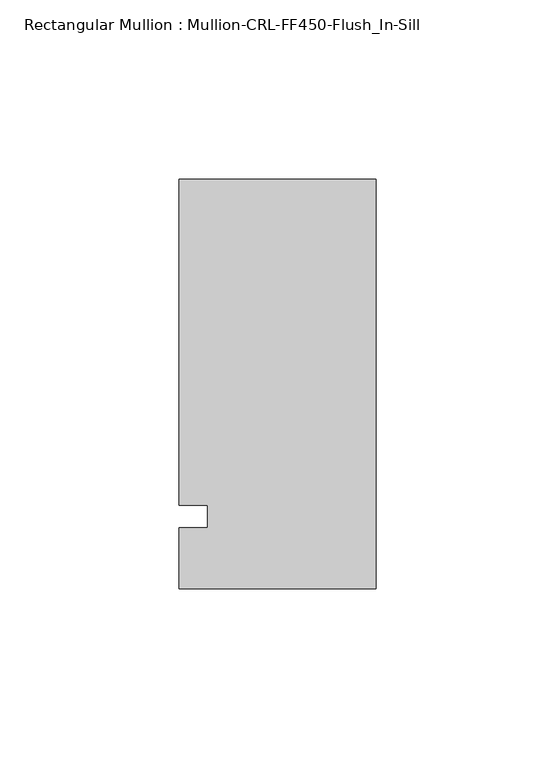
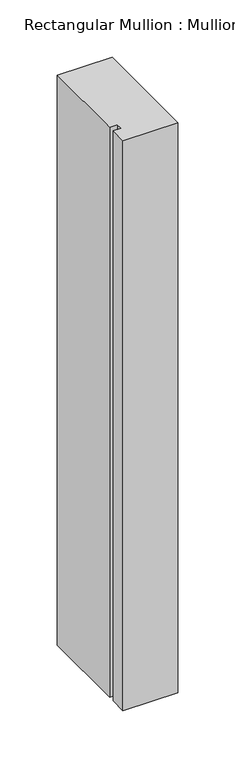
"""IFC4 building model written with IfcOpenShell, lengths in millimetres: member geometry, Rectangular Mullion : Mullion-CRL-FF450-Flush_In-Sill."""

from ifc_helpers import new_model, si_unit, frame, origin, place, context, project, spatial, polyline, outline, extrude, source, transform, mapped, element, save


def rectangular_mullion_mullion_crl_ff450_flush_in_sill_1322bf62(model_context):
    return source(origin(), model_context, "Body", "SweptSolid", [
        extrude(outline(polyline([(-54.9910181, 94.1655689), (0.0, 94.1655689), (0.0, -20.1414062), (-54.9910181, -20.1414062), (-54.9910181, -3.175), (-47.0535181, -3.175), (-47.0535181, 3.175), (-54.9910181, 3.175), (-54.9910181, 94.1655689)])), frame((0.0, 0.0, -606.4249599), z_axis=(0.0, 0.0, 1.0), x_axis=(1.0, 0.0, 0.0)), (0.0, 0.0, 1.0), 606.4249599),
    ])


if __name__ == "__main__":
    model = new_model("IFC4")
    model_context = context("Model", 3, world=origin())
    ifc_project = project(units=[si_unit("LENGTHUNIT", "METRE", prefix="MILLI")], contexts=[model_context])
    site = spatial("IfcSite", under=ifc_project)
    building = spatial("IfcBuilding", under=site)
    placement = place(None, origin())
    rectangular_mullion_mullion_crl_ff450_flush_in_sill_shape = rectangular_mullion_mullion_crl_ff450_flush_in_sill_1322bf62(model_context)
    element("IfcMember", 1, ObjectType="Rectangular Mullion : Mullion-CRL-FF450-Flush_In-Sill", at=placement, inside=building, context=model_context, shape_type="MappedRepresentation", body=[
        mapped(rectangular_mullion_mullion_crl_ff450_flush_in_sill_shape, transform((0.0, 0.0, 0.0), x_axis=(1.0, 0.0, 0.0), y_axis=(0.0, 1.0, 0.0), z_axis=(0.0, 0.0, 1.0))),
    ])
    save(model, "model.ifc")
